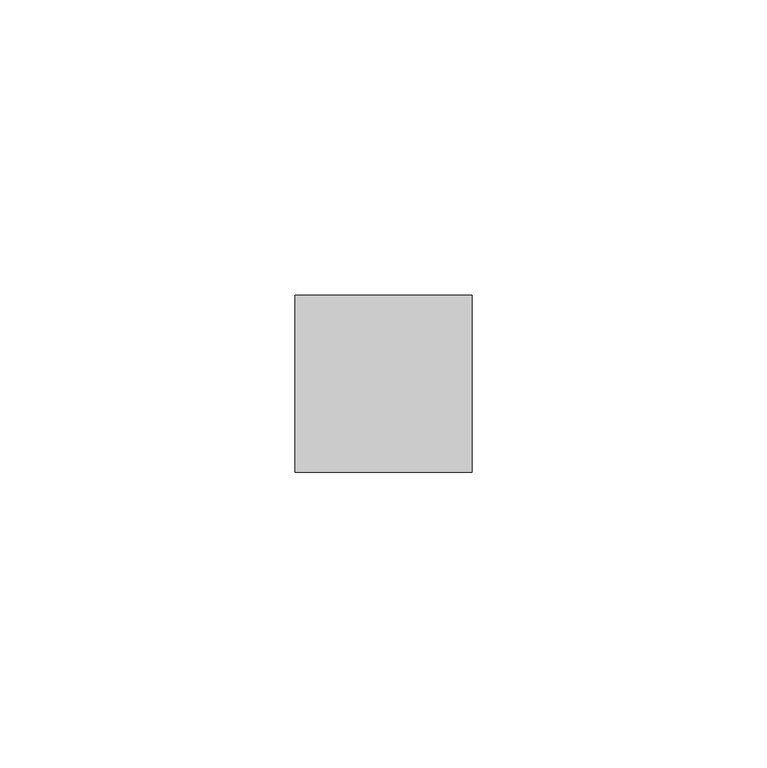
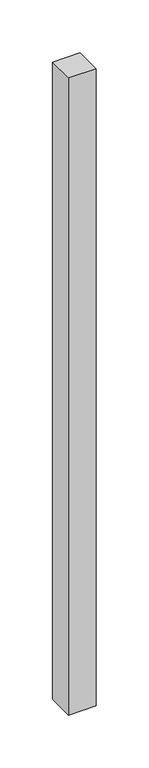
"""IFC4 building model written with IfcOpenShell, lengths in millimetres: member geometry."""

from ifc_helpers import new_model, si_unit, frame, origin, place, context, project, spatial, polyline, outline, extrude, source, transform, mapped, element, save


def member_64d07b58(model_context):
    return source(origin(), model_context, "Body", "SweptSolid", [
        extrude(outline(polyline([(15.0, 15.0), (15.0, -15.0), (-15.0, -15.0), (-15.0, 15.0), (15.0, 15.0)])), frame((0.0, 0.0, -735.0), z_axis=(0.0, 0.0, 1.0), x_axis=(1.0, 0.0, 0.0)), (0.0, 0.0, 1.0), 735.0),
    ])


if __name__ == "__main__":
    model = new_model("IFC4")
    model_context = context("Model", 3, world=origin())
    ifc_project = project(units=[si_unit("LENGTHUNIT", "METRE", prefix="MILLI")], contexts=[model_context])
    site = spatial("IfcSite", under=ifc_project)
    building = spatial("IfcBuilding", under=site)
    placement = place(None, origin())
    member_shape = member_64d07b58(model_context)
    element("IfcMember", 1, at=placement, inside=building, context=model_context, shape_type="MappedRepresentation", body=[
        mapped(member_shape, transform((0.0, 0.0, 0.0), x_axis=(1.0, 0.0, 0.0), y_axis=(0.0, 1.0, 0.0), z_axis=(0.0, 0.0, 1.0))),
    ])
    save(model, "model.ifc")
